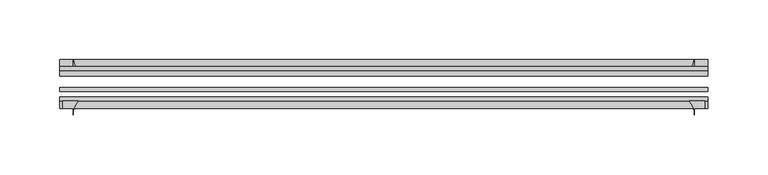
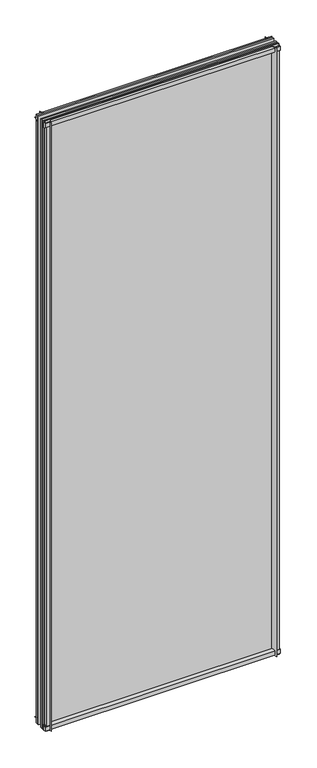
"""IFC4 building model written with IfcOpenShell, lengths in millimetres: plate geometry."""

from ifc_helpers import new_model, si_unit, point, frame, frame_2d, origin, place, context, project, spatial, polyline, circle_curve, trimmed, segment, composite_curve, outline, extrude, source, transform, mapped, element, save


def plate_19945938(model_context):
    return source(origin(), model_context, "Body", "SweptSolid", [
        extrude(outline(composite_curve([segment(polyline([(-42.891075, -11.1125), (-42.891075, 3.8539528)]), True, "CONTINUOUS"), segment(trimmed(circle_curve(frame_2d((-26.637892, 29.5913262)), 30.4397495), [point((-42.891075, 3.8539528))], [point((-33.7745413, 0.0))], True, "CARTESIAN"), True, "CONTINUOUS"), segment(polyline([(-33.7745413, 0.0), (-39.690675, 0.0), (-39.690675, -11.1125), (-42.891075, -11.1125)]), True, "CONTINUOUS")], self_intersect=False)), frame((-271.4625, 0.0, 0.0), z_axis=(1.0, 0.0, 0.0), x_axis=(0.0, 1.0, 0.0)), (0.0, 0.0, 1.0), 542.925),
        extrude(outline(composite_curve([segment(trimmed(circle_curve(frame_2d((-80.4922797, 17.8701603)), 18.6769817), [point((-74.641075, 0.1333891))], [point((-68.291075, 3.72943))], True, "CARTESIAN"), True, "CONTINUOUS"), segment(polyline([(-68.291075, 3.72943), (-68.291075, -10.3251), (-74.641075, -10.3251), (-74.641075, 0.1333891)]), True, "CONTINUOUS")], self_intersect=False)), frame((-271.4625, 0.0, 0.0), z_axis=(1.0, 0.0, 0.0), x_axis=(0.0, 1.0, 0.0)), (0.0, 0.0, 1.0), 542.925),
        extrude(outline(composite_curve([segment(polyline([(-42.891075, 1459.8083472), (-42.891075, 1474.7875), (-39.690675, 1474.7875), (-39.690675, 1463.675), (-33.721675, 1463.675)]), True, "CONTINUOUS"), segment(trimmed(circle_curve(frame_2d((-26.637892, 1434.0709738)), 30.4397495), [point((-33.721675, 1463.675))], [point((-42.891075, 1459.8083472))], True, "CARTESIAN"), True, "CONTINUOUS")], self_intersect=False)), frame((-271.4625, 0.0, 0.0), z_axis=(1.0, 0.0, 0.0), x_axis=(0.0, 1.0, 0.0)), (0.0, 0.0, 1.0), 542.925),
        extrude(outline(composite_curve([segment(polyline([(-68.291075, 1472.4126), (-68.291075, 1459.13912)]), True, "CONTINUOUS"), segment(trimmed(circle_curve(frame_2d((-80.4922797, 1444.9983897)), 18.6769817), [point((-68.291075, 1459.13912))], [point((-74.641075, 1462.7351609))], True, "CARTESIAN"), True, "CONTINUOUS"), segment(polyline([(-74.641075, 1462.7351609), (-74.641075, 1472.4126), (-68.291075, 1472.4126)]), True, "CONTINUOUS")], self_intersect=False)), frame((-271.4625, 0.0, 0.0), z_axis=(1.0, 0.0, 0.0), x_axis=(0.0, 1.0, 0.0)), (0.0, 0.0, 1.0), 542.925),
        extrude(outline(composite_curve([segment(polyline([(255.81412, -68.291075), (269.0876, -68.291075), (269.0876, -74.641075), (260.35, -74.641075), (260.35, -80.3744844)]), True, "CONTINUOUS"), segment(trimmed(circle_curve(frame_2d((241.6733897, -80.4922797)), 18.6769817), [point((260.35, -80.3744844))], [point((255.81412, -68.291075))], True, "CARTESIAN"), True, "CONTINUOUS")], self_intersect=False)), frame((0.0, 0.0, -11.1125), z_axis=(0.0, 0.0, 1.0), x_axis=(1.0, 0.0, 0.0)), (0.0, 0.0, 1.0), 1485.9),
        extrude(outline(composite_curve([segment(trimmed(circle_curve(frame_2d((230.7459738, -26.637892)), 30.4397495), [point((256.4833472, -42.891075))], [point((260.35, -33.721675))], True, "CARTESIAN"), True, "CONTINUOUS"), segment(polyline([(260.35, -33.721675), (260.35, -39.690675), (271.4625, -39.690675), (271.4625, -42.891075), (256.4833472, -42.891075)]), True, "CONTINUOUS")], self_intersect=False)), frame((0.0, 0.0, -11.1125), z_axis=(0.0, 0.0, 1.0), x_axis=(1.0, 0.0, 0.0)), (0.0, 0.0, 1.0), 1485.9),
        extrude(outline(composite_curve([segment(trimmed(circle_curve(frame_2d((-241.6733897, -80.4922797)), 18.6769817), [point((-255.81412, -68.291075))], [point((-260.35, -80.3744844))], True, "CARTESIAN"), True, "CONTINUOUS"), segment(polyline([(-260.35, -80.3744844), (-260.35, -74.641075), (-269.0876, -74.641075), (-269.0876, -68.291075), (-255.81412, -68.291075)]), True, "CONTINUOUS")], self_intersect=False)), frame((0.0, 0.0, -11.1125), z_axis=(0.0, 0.0, 1.0), x_axis=(1.0, 0.0, 0.0)), (0.0, 0.0, 1.0), 1485.9),
        extrude(outline(composite_curve([segment(polyline([(-256.4833472, -42.891075), (-271.4625, -42.891075), (-271.4625, -39.690675), (-260.35, -39.690675), (-260.35, -33.721675)]), True, "CONTINUOUS"), segment(trimmed(circle_curve(frame_2d((-230.7459738, -26.637892)), 30.4397495), [point((-260.35, -33.721675))], [point((-256.4833472, -42.891075))], True, "CARTESIAN"), True, "CONTINUOUS")], self_intersect=False)), frame((0.0, 0.0, -11.1125), z_axis=(0.0, 0.0, 1.0), x_axis=(1.0, 0.0, 0.0)), (0.0, 0.0, 1.0), 1485.9),
        extrude(outline(polyline([(-271.4625, -42.891075), (271.4625, -42.891075), (271.4625, -47.653575), (-271.4625, -47.653575), (-271.4625, -42.891075)])), frame((0.0, 0.0, -11.1125), z_axis=(0.0, 0.0, 1.0), x_axis=(1.0, 0.0, 0.0)), (0.0, 0.0, 1.0), 1485.9),
        extrude(outline(polyline([(271.4625, -57.369075), (271.4625, -60.544075), (-271.4625, -60.544075), (-271.4625, -57.369075), (271.4625, -57.369075)])), frame((0.0, 0.0, -11.1125), z_axis=(0.0, 0.0, 1.0), x_axis=(1.0, 0.0, 0.0)), (0.0, 0.0, 1.0), 1485.9),
        extrude(outline(polyline([(-271.4625, -65.116075), (271.4625, -65.116075), (271.4625, -68.291075), (-271.4625, -68.291075), (-271.4625, -65.116075)])), frame((0.0, 0.0, -11.1125), z_axis=(0.0, 0.0, 1.0), x_axis=(1.0, 0.0, 0.0)), (0.0, 0.0, 1.0), 1485.9),
    ])


if __name__ == "__main__":
    model = new_model("IFC4")
    model_context = context("Model", 3, world=origin())
    ifc_project = project(units=[si_unit("LENGTHUNIT", "METRE", prefix="MILLI")], contexts=[model_context])
    site = spatial("IfcSite", under=ifc_project)
    building = spatial("IfcBuilding", under=site)
    placement = place(None, origin())
    plate_shape = plate_19945938(model_context)
    element("IfcPlate", 1, at=placement, inside=building, context=model_context, shape_type="MappedRepresentation", body=[
        mapped(plate_shape, transform((0.0, 0.0, 0.0), x_axis=(1.0, 0.0, 0.0), y_axis=(0.0, 1.0, 0.0), z_axis=(0.0, 0.0, 1.0))),
    ])
    save(model, "model.ifc")
